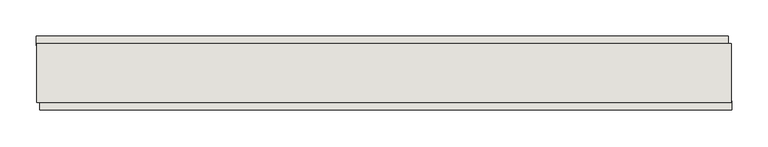
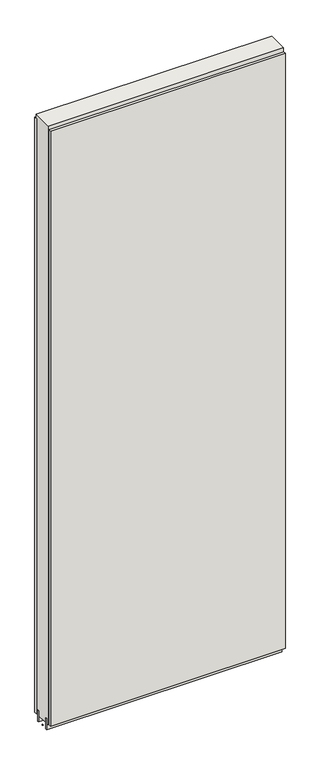
"""IFC4 building model written with IfcOpenShell, lengths in millimetres: wall geometry."""

from ifc_helpers import new_model, si_unit, frame, origin, place, context, project, spatial, polyline, outline, extrude, source, transform, mapped, element, save


def wall_faf97f40(model_context):
    return source(origin(), model_context, "Body", "SweptSolid", [
        extrude(outline(polyline([(46887.18334, -39417.1245692), (46884.64334, -39417.1245692), (46884.64334, -39414.5845692), (46887.18334, -39414.5845692), (46887.18334, -39417.1245692)])), frame((0.0, 0.0, 4419.6), z_axis=(0.0, 0.0, 1.0), x_axis=(1.0, 0.0, 0.0)), (0.0, 0.0, 1.0), 2.54),
        extrude(outline(polyline([(46884.1805266, -39365.0545692), (47833.9139586, -39365.0545692), (47833.9139586, -39377.7545692), (46884.1805266, -39377.7545692), (46884.1805266, -39365.0545692)])), frame((0.0, 0.0, 4445.0), z_axis=(0.0, 0.0, 1.0), x_axis=(1.0, 0.0, 0.0)), (0.0, 0.0, 1.0), 2545.0498756),
        extrude(outline(polyline([(47838.8438954, -39466.6545692), (46889.1104634, -39466.6545692), (46889.1104634, -39453.9545692), (47838.8438954, -39453.9545692), (47838.8438954, -39466.6545692)])), frame((0.0, 0.0, 4445.0), z_axis=(0.0, 0.0, 1.0), x_axis=(1.0, 0.0, 0.0)), (0.0, 0.0, 1.0), 2545.0498756),
        extrude(outline(polyline([(47838.3854254, -39390.7770222), (46884.6420954, -39390.7770222), (46884.6420954, -39385.6982668), (47838.3854254, -39385.6982668), (47838.3854254, -39390.7770222)])), frame((0.0, 0.0, 4418.6602), z_axis=(0.0, 0.0, 1.0), x_axis=(1.0, 0.0, 0.0)), (0.0, 0.0, 1.0), 47.625),
        extrude(outline(polyline([(47838.3854254, -39390.7770222), (46884.6420954, -39390.7770222), (46884.6420954, -39385.6982668), (47838.3854254, -39385.6982668), (47838.3854254, -39390.7770222)])), frame((0.0, 0.0, 4418.6602), z_axis=(0.0, 0.0, 1.0), x_axis=(1.0, 0.0, 0.0)), (0.0, 0.0, 1.0), 47.625),
        extrude(outline(polyline([(46884.6420954, -39440.9414126), (47838.3854254, -39440.9414126), (47838.3854254, -39446.0232668), (46884.6420954, -39446.0232668), (46884.6420954, -39440.9414126)])), frame((0.0, 0.0, 4418.6602), z_axis=(0.0, 0.0, 1.0), x_axis=(1.0, 0.0, 0.0)), (0.0, 0.0, 1.0), 47.625),
        extrude(outline(polyline([(46884.6420954, -39440.9414126), (47838.3854254, -39440.9414126), (47838.3854254, -39446.0232668), (46884.6420954, -39446.0232668), (46884.6420954, -39440.9414126)])), frame((0.0, 0.0, 4418.6602), z_axis=(0.0, 0.0, 1.0), x_axis=(1.0, 0.0, 0.0)), (0.0, 0.0, 1.0), 47.625),
        extrude(outline(polyline([(47838.3854254, -39375.2058824), (47838.3854254, -39456.4877366), (46884.6420954, -39456.4877366), (46884.6420954, -39375.2058824), (47838.3854254, -39375.2058824)])), frame((0.0, 0.0, 4445.0), z_axis=(0.0, 0.0, 1.0), x_axis=(1.0, 0.0, 0.0)), (0.0, 0.0, 1.0), 2562.4536762),
    ])


if __name__ == "__main__":
    model = new_model("IFC4")
    model_context = context("Model", 3, world=origin())
    ifc_project = project(units=[si_unit("LENGTHUNIT", "METRE", prefix="MILLI")], contexts=[model_context])
    site = spatial("IfcSite", under=ifc_project)
    building = spatial("IfcBuilding", under=site)
    placement = place(None, origin())
    wall_shape = wall_faf97f40(model_context)
    element("IfcWall", 1, at=placement, inside=building, context=model_context, shape_type="MappedRepresentation", body=[
        mapped(wall_shape, transform((0.0, 0.0, 0.0), x_axis=(1.0, 0.0, 0.0), y_axis=(0.0, 1.0, 0.0), z_axis=(0.0, 0.0, 1.0))),
    ])
    save(model, "model.ifc")
